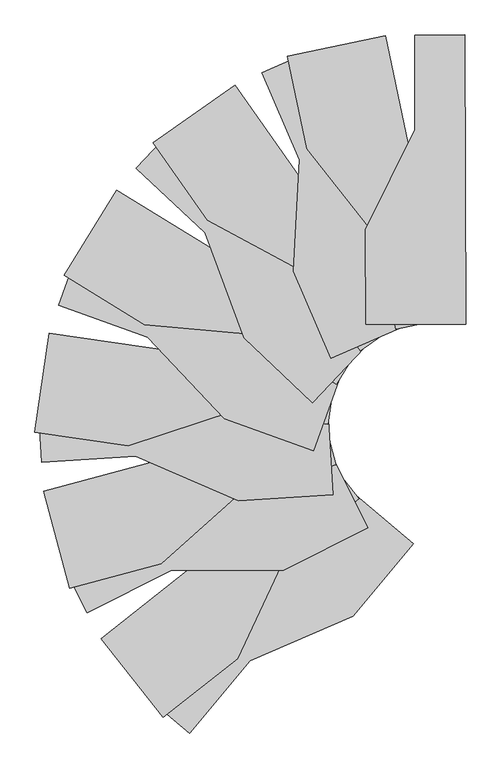
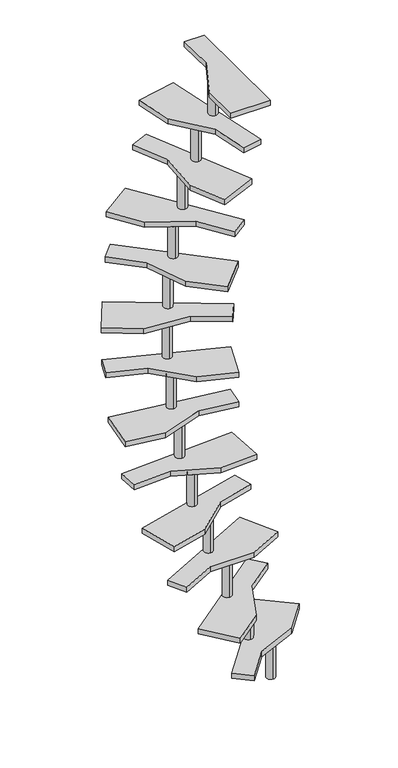
"""IFC4 building model written with IfcOpenShell, lengths in millimetres: proxy geometry."""

from ifc_helpers import new_model, si_unit, point, frame, frame_2d, origin, origin_with_axes, place, context, project, spatial, polyline, circle_curve, trimmed, segment, composite_curve, outline, extrude, source, transform, mapped, element, save


def generic_models_c31dd0b3(model_context):
    return source(origin(), model_context, "Body", "SweptSolid", [
        extrude(outline(composite_curve([segment(trimmed(circle_curve(frame_2d((225.1347433, 1006.7249463)), 25.0), [point((225.1347433, 981.7249463))], [point((225.1347433, 1031.7249463))], False, "CARTESIAN"), True, "CONTINUOUS"), segment(trimmed(circle_curve(frame_2d((225.1347433, 1006.7249463)), 25.0), [point((225.1347433, 1031.7249463))], [point((225.1347433, 981.7249463))], False, "CARTESIAN"), True, "CONTINUOUS")], self_intersect=False)), frame((0.0, 0.0, 2640.0), z_axis=(0.0, 0.0, 1.0), x_axis=(1.0, 0.0, 0.0)), (0.0, 0.0, 1.0), 190.0),
        extrude(outline(composite_curve([segment(trimmed(circle_curve(frame_2d((117.4745413, 984.1403112)), 25.0), [point((117.4745413, 959.1403112))], [point((117.4745413, 1009.1403112))], False, "CARTESIAN"), True, "CONTINUOUS"), segment(trimmed(circle_curve(frame_2d((117.4745413, 984.1403112)), 25.0), [point((117.4745413, 1009.1403112))], [point((117.4745413, 959.1403112))], False, "CARTESIAN"), True, "CONTINUOUS")], self_intersect=False)), frame((0.0, 0.0, 2420.0), z_axis=(0.0, 0.0, 1.0), x_axis=(1.0, 0.0, 0.0)), (0.0, 0.0, 1.0), 190.0),
        extrude(outline(composite_curve([segment(trimmed(circle_curve(frame_2d((16.6023979, 940.2931074)), 25.0), [point((16.6023979, 915.2931074))], [point((16.6023979, 965.2931074))], False, "CARTESIAN"), True, "CONTINUOUS"), segment(trimmed(circle_curve(frame_2d((16.6023979, 940.2931074)), 25.0), [point((16.6023979, 965.2931074))], [point((16.6023979, 915.2931074))], False, "CARTESIAN"), True, "CONTINUOUS")], self_intersect=False)), frame((0.0, 0.0, 2200.0), z_axis=(0.0, 0.0, 1.0), x_axis=(1.0, 0.0, 0.0)), (0.0, 0.0, 1.0), 190.0),
        extrude(outline(composite_curve([segment(trimmed(circle_curve(frame_2d((-73.3454186, 876.9488237)), 25.0), [point((-73.3454186, 851.9488237))], [point((-73.3454186, 901.9488237))], False, "CARTESIAN"), True, "CONTINUOUS"), segment(trimmed(circle_curve(frame_2d((-73.3454186, 876.9488237)), 25.0), [point((-73.3454186, 901.9488237))], [point((-73.3454186, 851.9488237))], False, "CARTESIAN"), True, "CONTINUOUS")], self_intersect=False)), frame((0.0, 0.0, 1980.0), z_axis=(0.0, 0.0, 1.0), x_axis=(1.0, 0.0, 0.0)), (0.0, 0.0, 1.0), 190.0),
        extrude(outline(composite_curve([segment(trimmed(circle_curve(frame_2d((-148.6398528, 796.5590101)), 25.0), [point((-148.6398528, 771.5590101))], [point((-148.6398528, 821.5590101))], False, "CARTESIAN"), True, "CONTINUOUS"), segment(trimmed(circle_curve(frame_2d((-148.6398528, 796.5590101)), 25.0), [point((-148.6398528, 821.5590101))], [point((-148.6398528, 771.5590101))], False, "CARTESIAN"), True, "CONTINUOUS")], self_intersect=False)), frame((0.0, 0.0, 1760.0), z_axis=(0.0, 0.0, 1.0), x_axis=(1.0, 0.0, 0.0)), (0.0, 0.0, 1.0), 190.0),
        extrude(outline(composite_curve([segment(trimmed(circle_curve(frame_2d((-206.1963628, 702.8392261)), 25.0), [point((-206.1963628, 677.8392261))], [point((-206.1963628, 727.8392261))], False, "CARTESIAN"), True, "CONTINUOUS"), segment(trimmed(circle_curve(frame_2d((-206.1963628, 702.8392261)), 25.0), [point((-206.1963628, 727.8392261))], [point((-206.1963628, 677.8392261))], False, "CARTESIAN"), True, "CONTINUOUS")], self_intersect=False)), frame((0.0, 0.0, 1540.0), z_axis=(0.0, 0.0, 1.0), x_axis=(1.0, 0.0, 0.0)), (0.0, 0.0, 1.0), 190.0),
        extrude(outline(composite_curve([segment(trimmed(circle_curve(frame_2d((-243.6379534, 599.4308937)), 25.0), [point((-243.6379534, 574.4308937))], [point((-243.6379534, 624.4308937))], False, "CARTESIAN"), True, "CONTINUOUS"), segment(trimmed(circle_curve(frame_2d((-243.6379534, 599.4308937)), 25.0), [point((-243.6379534, 624.4308937))], [point((-243.6379534, 574.4308937))], False, "CARTESIAN"), True, "CONTINUOUS")], self_intersect=False)), frame((0.0, 0.0, 1320.0), z_axis=(0.0, 0.0, 1.0), x_axis=(1.0, 0.0, 0.0)), (0.0, 0.0, 1.0), 190.0),
        extrude(outline(composite_curve([segment(trimmed(circle_curve(frame_2d((-259.4216332, 490.7268984)), 25.0), [point((-259.4216332, 465.7268984))], [point((-259.4216332, 515.7268984))], False, "CARTESIAN"), True, "CONTINUOUS"), segment(trimmed(circle_curve(frame_2d((-259.4216332, 490.7268984)), 25.0), [point((-259.4216332, 515.7268984))], [point((-259.4216332, 465.7268984))], False, "CARTESIAN"), True, "CONTINUOUS")], self_intersect=False)), frame((0.0, 0.0, 1100.0), z_axis=(0.0, 0.0, 1.0), x_axis=(1.0, 0.0, 0.0)), (0.0, 0.0, 1.0), 190.0),
        extrude(outline(composite_curve([segment(trimmed(circle_curve(frame_2d((-252.9035789, 380.9223208)), 25.0), [point((-252.9035789, 355.9223208))], [point((-252.9035789, 405.9223208))], False, "CARTESIAN"), True, "CONTINUOUS"), segment(trimmed(circle_curve(frame_2d((-252.9035789, 380.9223208)), 25.0), [point((-252.9035789, 405.9223208))], [point((-252.9035789, 355.9223208))], False, "CARTESIAN"), True, "CONTINUOUS")], self_intersect=False)), frame((0.0, 0.0, 880.0), z_axis=(0.0, 0.0, 1.0), x_axis=(1.0, 0.0, 0.0)), (0.0, 0.0, 1.0), 190.0),
        extrude(outline(composite_curve([segment(trimmed(circle_curve(frame_2d((-224.3368635, 274.4006063)), 25.0), [point((-224.3368635, 249.4006063))], [point((-224.3368635, 299.4006063))], False, "CARTESIAN"), True, "CONTINUOUS"), segment(trimmed(circle_curve(frame_2d((-224.3368635, 274.4006063)), 25.0), [point((-224.3368635, 299.4006063))], [point((-224.3368635, 249.4006063))], False, "CARTESIAN"), True, "CONTINUOUS")], self_intersect=False)), frame((0.0, 0.0, 660.0), z_axis=(0.0, 0.0, 1.0), x_axis=(1.0, 0.0, 0.0)), (0.0, 0.0, 1.0), 190.0),
        extrude(outline(composite_curve([segment(trimmed(circle_curve(frame_2d((-175.4972228, 176.2587606)), 25.0), [point((-175.4972228, 151.2587606))], [point((-175.4972228, 201.2587606))], False, "CARTESIAN"), True, "CONTINUOUS"), segment(trimmed(circle_curve(frame_2d((-175.4972228, 176.2587606)), 25.0), [point((-175.4972228, 201.2587606))], [point((-175.4972228, 151.2587606))], False, "CARTESIAN"), True, "CONTINUOUS")], self_intersect=False)), frame((0.0, 0.0, 440.0), z_axis=(0.0, 0.0, 1.0), x_axis=(1.0, 0.0, 0.0)), (0.0, 0.0, 1.0), 190.0),
        extrude(outline(composite_curve([segment(trimmed(circle_curve(frame_2d((-107.2464854, 89.8755115)), 25.0), [point((-107.2464854, 64.8755115))], [point((-107.2464854, 114.8755115))], False, "CARTESIAN"), True, "CONTINUOUS"), segment(trimmed(circle_curve(frame_2d((-107.2464854, 89.8755115)), 25.0), [point((-107.2464854, 114.8755115))], [point((-107.2464854, 64.8755115))], False, "CARTESIAN"), True, "CONTINUOUS")], self_intersect=False)), frame((0.0, 0.0, 220.0), z_axis=(0.0, 0.0, 1.0), x_axis=(1.0, 0.0, 0.0)), (0.0, 0.0, 1.0), 190.0),
        extrude(outline(composite_curve([segment(trimmed(circle_curve(frame_2d((-22.9813333, 19.2836283)), 25.0), [point((-22.9813333, -5.7163717))], [point((-22.9813333, 44.2836283))], False, "CARTESIAN"), True, "CONTINUOUS"), segment(trimmed(circle_curve(frame_2d((-22.9813333, 19.2836283)), 25.0), [point((-22.9813333, 44.2836283))], [point((-22.9813333, -5.7163717))], False, "CARTESIAN"), True, "CONTINUOUS")], self_intersect=False)), origin_with_axes(), (0.0, 0.0, 1.0), 190.0),
        extrude(outline(polyline([(361.2422024, 689.7020047), (141.2435427, 688.9340614), (140.5192325, 896.4327972), (249.7506191, 1116.8154286), (249.0263089, 1324.3141644), (359.0256387, 1324.6981361), (361.2422024, 689.7020047)])), frame((0.0, 0.0, 2830.0), z_axis=(0.0, 0.0, 1.0), x_axis=(1.0, 0.0, 0.0)), (0.0, 0.0, 1.0), 30.0),
        extrude(outline(polyline([(-30.9082136, 1277.4191617), (184.4032695, 1322.596205), (314.8006445, 701.1289697), (207.1449029, 678.540448), (164.5347371, 881.6183241), (11.7019522, 1074.3412856), (-30.9082136, 1277.4191617)])), frame((0.0, 0.0, 2610.0), z_axis=(0.0, 0.0, 1.0), x_axis=(1.0, 0.0, 0.0)), (0.0, 0.0, 1.0), 30.0),
        extrude(outline(polyline([(13.8026739, 1285.2756111), (267.0083327, 702.9424639), (65.2551163, 615.2176687), (-17.4853154, 805.5076342), (-4.3335024, 1051.1232481), (-87.0739342, 1241.4132136), (13.8026739, 1285.2756111)])), frame((0.0, 0.0, 2390.0), z_axis=(0.0, 0.0, 1.0), x_axis=(1.0, 0.0, 0.0)), (0.0, 0.0, 1.0), 30.0),
        extrude(outline(polyline([(-325.629676, 1087.6158267), (-145.7471998, 1214.2740074), (219.8343673, 695.0677692), (129.8931292, 631.7386788), (10.431436, 801.4005598), (-206.1679828, 917.9539457), (-325.629676, 1087.6158267)])), frame((0.0, 0.0, 2170.0), z_axis=(0.0, 0.0, 1.0), x_axis=(1.0, 0.0, 0.0)), (0.0, 0.0, 1.0), 30.0),
        extrude(outline(polyline([(-287.6727064, 1112.5167447), (175.222372, 677.8293324), (24.6220087, 517.4562344), (-126.6389815, 659.4997588), (-211.7118979, 890.2866712), (-362.972888, 1032.3301957), (-287.6727064, 1112.5167447)])), frame((0.0, 0.0, 1950.0), z_axis=(0.0, 0.0, 1.0), x_axis=(1.0, 0.0, 0.0)), (0.0, 0.0, 1.0), 30.0),
        extrude(outline(polyline([(-521.2396811, 796.7158914), (-406.1263455, 984.1963437), (135.0104143, 651.9373977), (77.4537465, 558.1971716), (-99.3744073, 666.7699768), (-344.4115274, 688.1430863), (-521.2396811, 796.7158914)])), frame((0.0, 0.0, 1730.0), z_axis=(0.0, 0.0, 1.0), x_axis=(1.0, 0.0, 0.0)), (0.0, 0.0, 1.0), 30.0),
        extrude(outline(polyline([(-169.1380126, 482.2241124), (-338.55965, 660.5393075), (-533.6694364, 731.1680641), (-496.2276859, 834.5997581), (100.8552748, 618.4587437), (25.9717737, 411.5953558), (-169.1380126, 482.2241124)])), frame((0.0, 0.0, 1510.0), z_axis=(0.0, 0.0, 1.0), x_axis=(1.0, 0.0, 0.0)), (0.0, 0.0, 1.0), 30.0),
        extrude(outline(polyline([(-585.8328214, 452.1672408), (-554.2644446, 669.8905459), (74.1641861, 578.7727309), (58.3799976, 469.9110784), (-146.9726651, 499.6857974), (-380.4801587, 422.3925217), (-585.8328214, 452.1672408)])), frame((0.0, 0.0, 1290.0), z_axis=(0.0, 0.0, 1.0), x_axis=(1.0, 0.0, 0.0)), (0.0, 0.0, 1.0), 30.0),
        extrude(outline(polyline([(-577.8454379, 496.8549233), (56.0368528, 534.5144705), (69.084255, 314.9017084), (-138.0505093, 302.5956359), (-364.1869726, 399.3546147), (-571.3217368, 387.0485422), (-577.8454379, 496.8549233)])), frame((0.0, 0.0, 1070.0), z_axis=(0.0, 0.0, 1.0), x_axis=(1.0, 0.0, 0.0)), (0.0, 0.0, 1.0), 30.0),
        extrude(outline(polyline([(-565.9991009, 322.6221645), (47.2201428, 487.5074556), (75.7829491, 381.2805), (-124.5997171, 327.4006608), (-308.490822, 164.0480925), (-508.8734882, 110.1682533), (-565.9991009, 322.6221645)])), frame((0.0, 0.0, 850.0), z_axis=(0.0, 0.0, 1.0), x_axis=(1.0, 0.0, 0.0)), (0.0, 0.0, 1.0), 30.0),
        extrude(outline(polyline([(-519.8007033, 154.2024941), (47.4901283, 439.5200582), (146.340308, 242.9783528), (-39.0342551, 149.7446606), (-285.0010504, 149.1653336), (-470.3756135, 55.9316414), (-519.8007033, 154.2024941)])), frame((0.0, 0.0, 630.0), z_axis=(0.0, 0.0, 1.0), x_axis=(1.0, 0.0, 0.0)), (0.0, 0.0, 1.0), 30.0),
        extrude(outline(polyline([(-303.5014924, -173.6669341), (-440.0034937, -1.1351874), (57.9858662, 392.8592255), (126.2368669, 306.5933521), (-36.4919397, 177.8471463), (-140.7726859, -44.9207284), (-303.5014924, -173.6669341)])), frame((0.0, 0.0, 410.0), z_axis=(0.0, 0.0, 1.0), x_axis=(1.0, 0.0, 0.0)), (0.0, 0.0, 1.0), 30.0),
        extrude(outline(polyline([(246.2175104, 207.8657922), (112.8390814, 48.9115702), (-112.8390815, -48.9115702), (-246.2175105, -207.8657922), (-330.4823992, -137.1591551), (77.6877329, 349.2790663), (246.2175104, 207.8657922)])), frame((0.0, 0.0, 190.0), z_axis=(0.0, 0.0, 1.0), x_axis=(1.0, 0.0, 0.0)), (0.0, 0.0, 1.0), 30.0),
    ])


if __name__ == "__main__":
    model = new_model("IFC4")
    model_context = context("Model", 3, world=origin())
    ifc_project = project(units=[si_unit("LENGTHUNIT", "METRE", prefix="MILLI")], contexts=[model_context])
    site = spatial("IfcSite", under=ifc_project)
    building = spatial("IfcBuilding", under=site)
    placement = place(None, origin())
    generic_models_shape = generic_models_c31dd0b3(model_context)
    element("IfcBuildingElementProxy", 1, Name="Generic Models", at=placement, inside=building, context=model_context, shape_type="MappedRepresentation", body=[
        mapped(generic_models_shape, transform((0.0, 0.0, 0.0), x_axis=(1.0, 0.0, 0.0), y_axis=(0.0, 1.0, 0.0), z_axis=(0.0, 0.0, 1.0))),
    ])
    save(model, "model.ifc")
